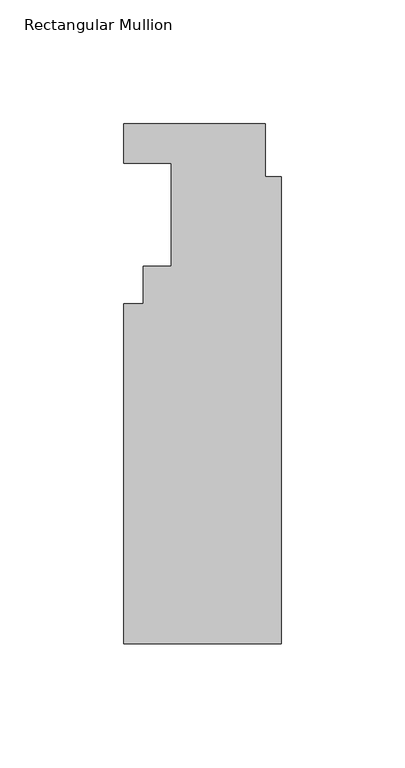
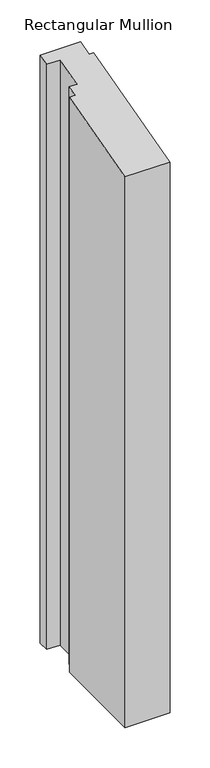
"""IFC4 building model written with IfcOpenShell, lengths in millimetres: member geometry, Rectangular Mullion."""

from ifc_helpers import new_model, si_unit, origin, place, context, project, spatial, faceted_brep, source, transform, mapped, element, save


def rectangular_mullion_90bd682b(model_context):
    return source(origin(), model_context, "Body", "Brep", [
        faceted_brep([(-63.5, 20.7208438, -880.7474361), (-6.35, 20.7208438, -880.7474361), (-6.35, -0.5643562, -880.7474361), (0.0, -0.5643562, -880.7474361), (0.0, -189.2101563, -880.7474361), (-63.5, -189.2101563, -880.7474361), (-63.5, -51.8723563, -880.7474361), (-55.5752, -51.8723562, -880.7474361), (-55.5752, -36.8101563, -880.7474361), (-44.45, -36.8101563, -880.7474361), (-44.45, 4.8458438, -880.7474361), (-63.5, 4.8458438, -880.7474361), (-63.5, 4.8458438, 1.2984399), (-63.5, 20.7208438, 5.5521333), (-44.45, 4.8458438, 1.2984399), (-44.45, -36.8101563, -9.8632516), (-55.5752, -36.8101563, -9.8632516), (-55.5752, -51.8723562, -13.899156), (-63.5, -51.8723562, -13.899156), (-63.5, -189.2101563, -50.6987086), (0.0, -189.2101563, -50.6987086), (0.0, -0.5643562, -0.1512188), (-6.35, -0.5643562, -0.1512188), (-6.35, 20.7208438, 5.5521333)], [[[0, 1, 2, 3, 4, 5, 6, 7, 8, 9, 10, 11]], [[12, 13, 0, 11]], [[14, 12, 11, 10]], [[15, 14, 10, 9]], [[16, 15, 9, 8]], [[17, 16, 8, 7]], [[18, 17, 7, 6]], [[19, 18, 6, 5]], [[20, 19, 5, 4]], [[21, 20, 4, 3]], [[22, 21, 3, 2]], [[23, 22, 2, 1]], [[13, 23, 1, 0]], [[13, 12, 14, 15, 16, 17, 18, 19, 20, 21, 22, 23]]]),
    ])


if __name__ == "__main__":
    model = new_model("IFC4")
    model_context = context("Model", 3, world=origin())
    ifc_project = project(units=[si_unit("LENGTHUNIT", "METRE", prefix="MILLI")], contexts=[model_context])
    site = spatial("IfcSite", under=ifc_project)
    building = spatial("IfcBuilding", under=site)
    placement = place(None, origin())
    rectangular_mullion_shape = rectangular_mullion_90bd682b(model_context)
    element("IfcMember", 1, ObjectType="Rectangular Mullion", at=placement, inside=building, context=model_context, shape_type="MappedRepresentation", body=[
        mapped(rectangular_mullion_shape, transform((0.0, 0.0, 0.0), x_axis=(1.0, 0.0, 0.0), y_axis=(0.0, 1.0, 0.0), z_axis=(0.0, 0.0, 1.0))),
    ])
    save(model, "model.ifc")
